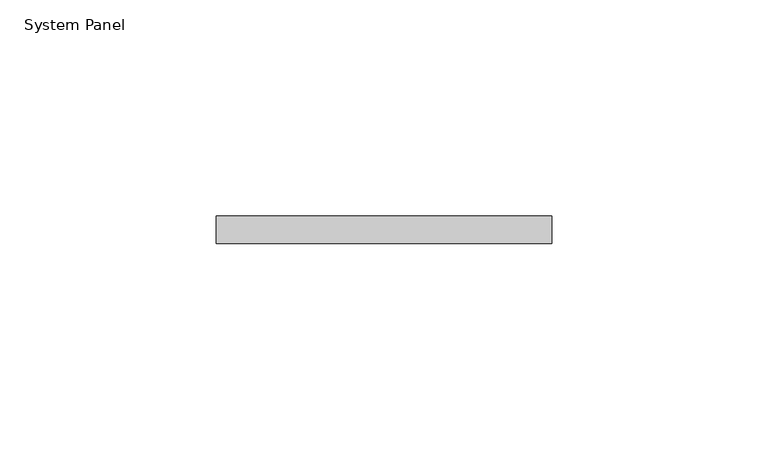
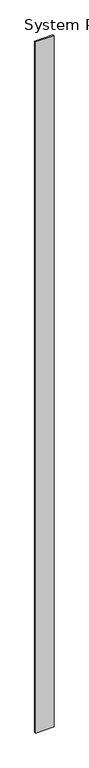
"""IFC4 building model written with IfcOpenShell, lengths in millimetres: plate geometry, System Panel."""

from ifc_helpers import new_model, si_unit, origin, origin_with_axes, place, context, project, spatial, polyline, outline, extrude, source, transform, mapped, element, save


def system_panel_00c5b056(model_context):
    return source(origin(), model_context, "Body", "SweptSolid", [
        extrude(outline(polyline([(38.7442029, 0.0), (-38.7442029, 0.0), (-38.7442029, 6.35), (38.7442029, 6.35), (38.7442029, 0.0)])), origin_with_axes(), (0.0, 0.0, 1.0), 3048.0),
    ])


if __name__ == "__main__":
    model = new_model("IFC4")
    model_context = context("Model", 3, world=origin())
    ifc_project = project(units=[si_unit("LENGTHUNIT", "METRE", prefix="MILLI")], contexts=[model_context])
    site = spatial("IfcSite", under=ifc_project)
    building = spatial("IfcBuilding", under=site)
    placement = place(None, origin())
    system_panel_shape = system_panel_00c5b056(model_context)
    element("IfcPlate", 1, ObjectType="System Panel", at=placement, inside=building, context=model_context, shape_type="MappedRepresentation", body=[
        mapped(system_panel_shape, transform((0.0, 0.0, 0.0), x_axis=(1.0, 0.0, 0.0), y_axis=(0.0, 1.0, 0.0), z_axis=(0.0, 0.0, 1.0))),
    ])
    save(model, "model.ifc")
